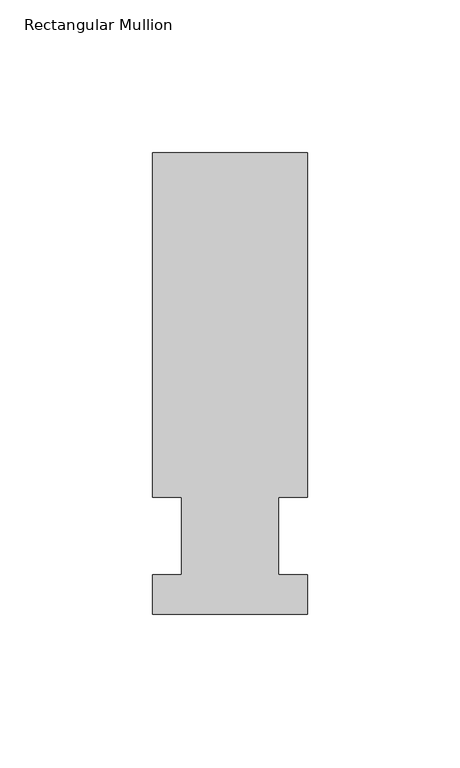
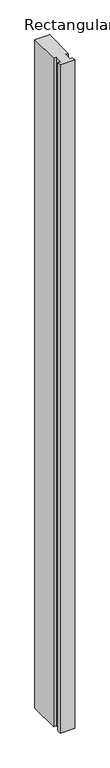
"""IFC4 building model written with IfcOpenShell, lengths in millimetres: member geometry, Rectangular Mullion."""

from ifc_helpers import new_model, si_unit, frame, origin, place, context, project, spatial, polyline, outline, extrude, source, transform, mapped, element, save


def rectangular_mullion_1c0441a1(model_context):
    return source(origin(), model_context, "Body", "SweptSolid", [
        extrude(outline(polyline([(-25.4, -25.58415), (-25.4, -12.7), (-15.875, -12.7), (-15.875, 12.7), (-25.4, 12.7), (-25.4, 125.59665), (25.4, 125.59665), (25.4, 12.7), (15.875, 12.7), (15.875, -12.7), (25.4, -12.7), (25.4, -25.58415), (-25.4, -25.58415)])), frame((0.0, 0.0, -2457.45), z_axis=(0.0, 0.0, 1.0), x_axis=(1.0, 0.0, 0.0)), (0.0, 0.0, 1.0), 2457.45),
    ])


if __name__ == "__main__":
    model = new_model("IFC4")
    model_context = context("Model", 3, world=origin())
    ifc_project = project(units=[si_unit("LENGTHUNIT", "METRE", prefix="MILLI")], contexts=[model_context])
    site = spatial("IfcSite", under=ifc_project)
    building = spatial("IfcBuilding", under=site)
    placement = place(None, origin())
    rectangular_mullion_shape = rectangular_mullion_1c0441a1(model_context)
    element("IfcMember", 1, ObjectType="Rectangular Mullion", at=placement, inside=building, context=model_context, shape_type="MappedRepresentation", body=[
        mapped(rectangular_mullion_shape, transform((0.0, 0.0, 0.0), x_axis=(1.0, 0.0, 0.0), y_axis=(0.0, 1.0, 0.0), z_axis=(0.0, 0.0, 1.0))),
    ])
    save(model, "model.ifc")
